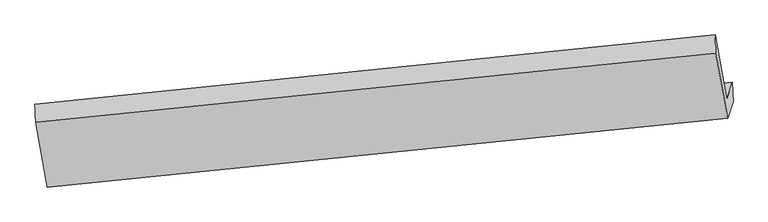
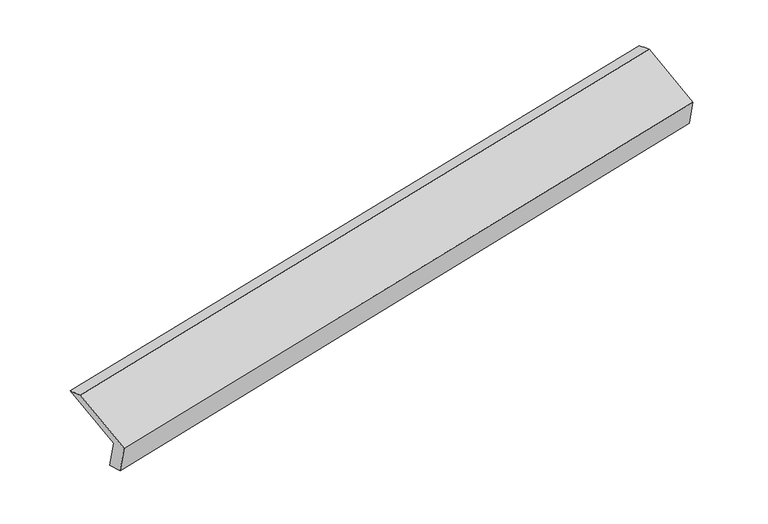
"""IFC4 building model written with IfcOpenShell, lengths in millimetres: proxy geometry."""

from ifc_helpers import new_model, si_unit, frame, origin, place, context, project, spatial, source, transform, mapped, element, save
from ifc_brep_helpers import plane_surface, spline_surface, advanced_brep


def generic_models_c6ac931a(model_context):
    return source(origin(), model_context, "Body", "AdvancedBrep", [
        advanced_brep(
        [(-6075.171833, -2004.2508106, 1313.0015493), (-6186.1308431, -1393.5762797, 1572.1231431), (272.9736562, -736.4394005, 2815.2653915), (383.9326663, -1347.1139315, 2556.1437977), (-6019.451606, -1836.4536313, 941.4122845), (436.9447971, -1187.4719758, 2202.6143929), (-6010.576463, -2010.3477153, 984.3272643), (443.0645593, -1369.6636768, 2263.9045647), (-6067.2480492, -2181.0098397, 1362.260991), (390.502402, -1527.9505723, 2614.4331694), (-6179.41045, -1563.712322, 1624.1928524), (278.3400012, -910.6530547, 2876.3650308)],
        [
            (0, 1),
            (1, 2),
            (2, 3),
            (3, 0),
            (4, 0),
            (3, 5),
            (5, 4),
            (6, 4),
            (5, 7),
            (7, 6),
            (8, 6),
            (7, 9),
            (9, 8),
            (10, 8),
            (9, 11),
            (11, 10),
            (1, 10),
            (11, 2),
        ],
        [
            plane_surface(frame((-6130.651338, -1698.9135452, 1442.5623462), z_axis=(0.1324483600125286, 0.4074664344131329, -0.9035643511984303), x_axis=(-0.16497237197690628, 0.9079427237754706, 0.38525851947425266))),
            plane_surface(frame((-6047.3117195, -1920.352221, 1127.2069169), z_axis=(-0.1664501047683312, 0.9077952434667214, 0.3849703346516557), x_axis=(-0.1354048127305748, -0.4077611825120939, 0.9029929981598621))),
            spline_surface(1, 1, [[(-6010.576463, -2010.3477153, 984.3272643), (443.0645593, -1369.6636768, 2263.9045647)], [(-6019.451606, -1836.4536313, 941.4122845), (436.9447971, -1187.4719758, 2202.6143929)]], [2, 2], [2, 2], [0.0, 1.0], [0.0, 1.0]),
            plane_surface(frame((-6038.9122561, -2095.6787775, 1173.2941276), z_axis=(0.16645010476832933, -0.9077952434667216, -0.38497033465165625), x_axis=(0.13540481273057484, 0.4077611825120941, -0.9029929981598621))),
            plane_surface(frame((-6123.3292496, -1872.3610808, 1493.2269217), z_axis=(-0.13392673623329038, -0.40761427453484705, 0.9032797089037977), x_axis=(0.164972371976908, -0.9079427237754747, -0.38525851947424217))),
            spline_surface(1, 1, [[(-6186.1308431, -1393.5762797, 1572.1231431), (272.9736562, -736.4394005, 2815.2653915)], [(-6179.41045, -1563.712322, 1624.1928524), (278.3400012, -910.6530547, 2876.3650308)]], [2, 2], [2, 2], [0.0, 1.0], [0.0, 1.0]),
            plane_surface(frame((367.626347, -1179.8821019, 2554.7877245), z_axis=(0.9769593917731368, 0.09680303910262687, 0.19020914396200256), x_axis=(0.13540481273057484, 0.4077611825120941, -0.9029929981598621))),
            plane_surface(frame((-6089.664874, -1831.5584331, 1299.5530141), z_axis=(-0.9769593917731236, -0.09680303910270113, -0.19020914396203353), x_axis=(0.16497237197690628, -0.9079427237754706, -0.38525851947425266))),
        ],
        [
            (0, [[1, 2, 3, 4]]),
            (1, [[5, -4, 6, 7]]),
            (2, [[8, -7, 9, 10]]),
            (3, [[11, -10, 12, 13]]),
            (4, [[14, -13, 15, 16]]),
            (5, [[17, -16, 18, -2]]),
            (6, [[-12, -9, -6, -3, -18, -15]]),
            (7, [[-1, -5, -8, -11, -14, -17]]),
        ],
    ),
    ])


if __name__ == "__main__":
    model = new_model("IFC4")
    model_context = context("Model", 3, world=origin())
    ifc_project = project(units=[si_unit("LENGTHUNIT", "METRE", prefix="MILLI")], contexts=[model_context])
    site = spatial("IfcSite", under=ifc_project)
    building = spatial("IfcBuilding", under=site)
    placement = place(None, origin())
    generic_models_shape = generic_models_c6ac931a(model_context)
    element("IfcBuildingElementProxy", 1, Name="Generic Models", at=placement, inside=building, context=model_context, shape_type="MappedRepresentation", body=[
        mapped(generic_models_shape, transform((0.0, 0.0, 0.0), x_axis=(1.0, 0.0, 0.0), y_axis=(0.0, 1.0, 0.0), z_axis=(0.0, 0.0, 1.0))),
    ])
    save(model, "model.ifc")
